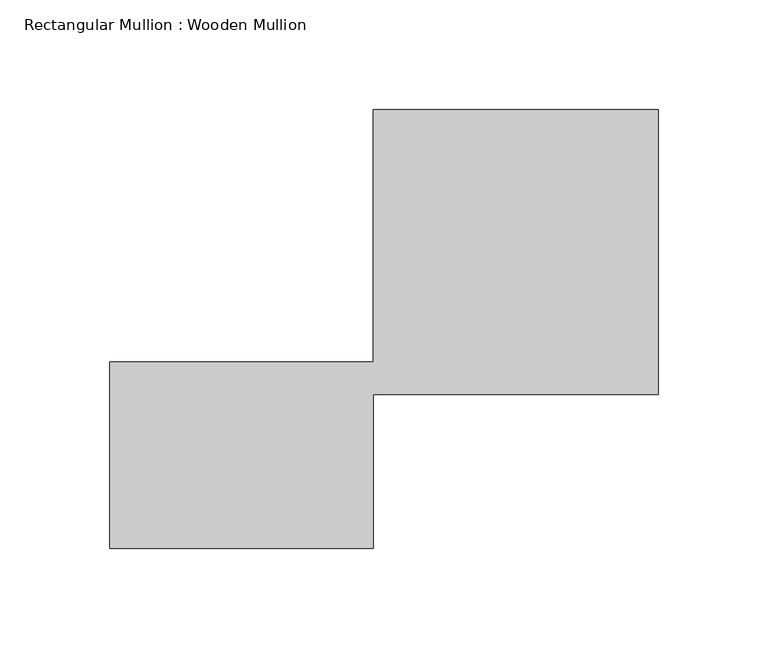
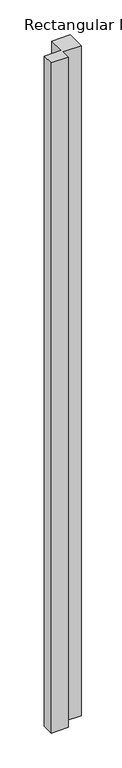
"""IFC4 building model written with IfcOpenShell, lengths in millimetres: member geometry, Rectangular Mullion : Wooden Mullion."""

from ifc_helpers import new_model, si_unit, frame, origin, place, context, project, spatial, polyline, outline, extrude, source, transform, mapped, element, save


def rectangular_mullion_wooden_mullion_9c63326f(model_context):
    return source(origin(), model_context, "Body", "SweptSolid", [
        extrude(outline(polyline([(74.8100006, -26.0137344), (-45.1899994, -26.0137344), (-45.1899994, 58.9862656), (74.8100006, 58.9862656), (74.8100006, 173.9862656), (204.8100006, 173.9862656), (204.8100006, 43.9862656), (74.8100006, 43.9862656), (74.8100006, -26.0137344)])), frame((0.0, 0.0, -4985.8983192), z_axis=(0.0, 0.0, 1.0), x_axis=(1.0, 0.0, 0.0)), (0.0, 0.0, 1.0), 4985.8983192),
    ])


if __name__ == "__main__":
    model = new_model("IFC4")
    model_context = context("Model", 3, world=origin())
    ifc_project = project(units=[si_unit("LENGTHUNIT", "METRE", prefix="MILLI")], contexts=[model_context])
    site = spatial("IfcSite", under=ifc_project)
    building = spatial("IfcBuilding", under=site)
    placement = place(None, origin())
    rectangular_mullion_wooden_mullion_shape = rectangular_mullion_wooden_mullion_9c63326f(model_context)
    element("IfcMember", 1, ObjectType="Rectangular Mullion : Wooden Mullion", at=placement, inside=building, context=model_context, shape_type="MappedRepresentation", body=[
        mapped(rectangular_mullion_wooden_mullion_shape, transform((0.0, 0.0, 0.0), x_axis=(1.0, 0.0, 0.0), y_axis=(0.0, 1.0, 0.0), z_axis=(0.0, 0.0, 1.0))),
    ])
    save(model, "model.ifc")
